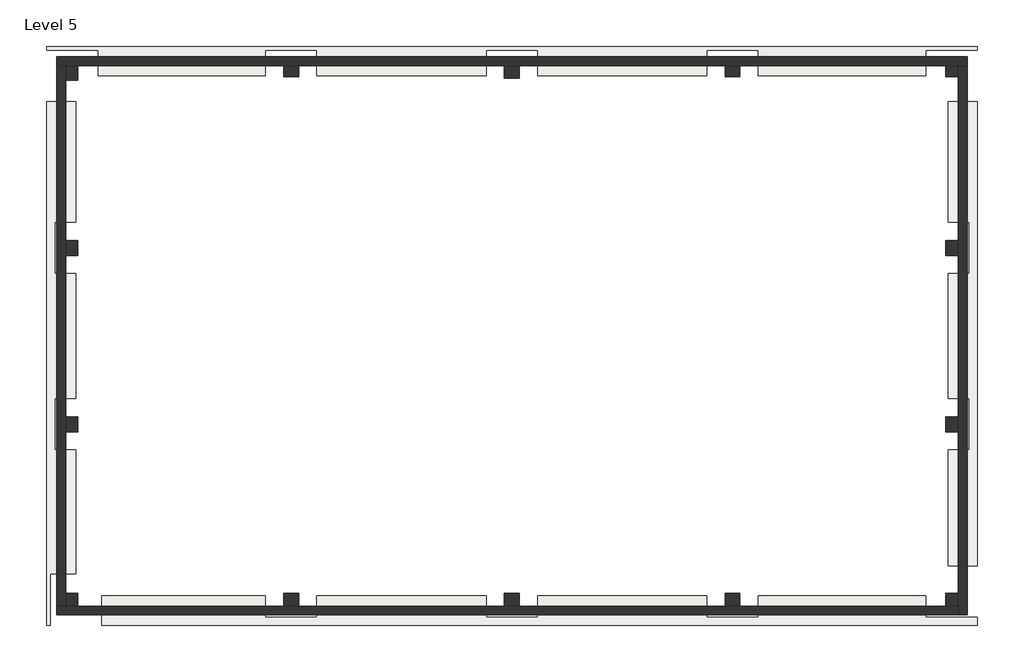
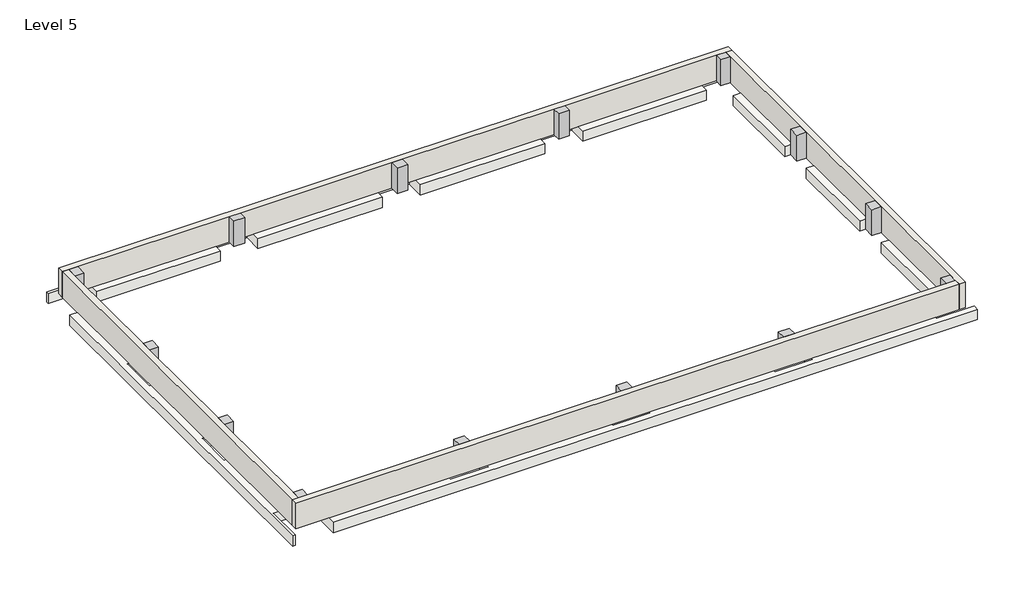
# One storey: 14 columns, 4 footings, 4 walls.
"""IFC4 building model written with IfcOpenShell, lengths in millimetres."""

from ifc_helpers import new_model, si_unit, frame, origin, place, context, project, spatial, polyline, outline, extrude, faceted_brep, element, save

model = new_model("IFC4")

# Units and contexts
model_context = context("Model", 3, world=origin())
ifc_project = project(units=[si_unit("LENGTHUNIT", "METRE", prefix="MILLI")], contexts=[model_context])

# Site, building, storey
site = spatial("IfcSite", under=ifc_project)
building = spatial("IfcBuilding", under=site)
storey = spatial("IfcBuildingStorey", under=building, Name="Level 5", Elevation=-1524.0)

# Columns
placement = place(None, origin())
element("IfcColumn", 1, ObjectType="Concrete-Square-Column : 24 x 24", at=placement, inside=storey, context=model_context, shape_type="SweptSolid", body=[
    extrude(outline(polyline([(45488.88616, 34502.3407664), (45488.88616, 33892.7407664), (44977.71116, 33892.7407664), (44977.71116, 34502.3407664), (45488.88616, 34502.3407664)])), frame((0.0, 0.0, -1524.0), z_axis=(0.0, 0.0, 1.0), x_axis=(1.0, 0.0, 0.0)), (0.0, 0.0, 1.0), 1524.0),
])
element("IfcColumn", 2, ObjectType="Concrete-Square-Column : 24 x 24", at=placement, inside=storey, context=model_context, shape_type="SweptSolid", body=[
    extrude(outline(polyline([(45488.88616, 41817.5407664), (45488.88616, 41207.9407664), (44977.71116, 41207.9407664), (44977.71116, 41817.5407664), (45488.88616, 41817.5407664)])), frame((0.0, 0.0, -1524.0), z_axis=(0.0, 0.0, 1.0), x_axis=(1.0, 0.0, 0.0)), (0.0, 0.0, 1.0), 1524.0),
])
element("IfcColumn", 3, ObjectType="Concrete-Square-Column : 24 x 24", at=placement, inside=storey, context=model_context, shape_type="SweptSolid", body=[
    extrude(outline(polyline([(45488.88616, 49081.9407664), (45488.88616, 48472.3407664), (44977.71116, 48472.3407664), (44977.71116, 49081.9407664), (45488.88616, 49081.9407664)])), frame((0.0, 0.0, -1524.0), z_axis=(0.0, 0.0, 1.0), x_axis=(1.0, 0.0, 0.0)), (0.0, 0.0, 1.0), 1524.0),
])
element("IfcColumn", 4, ObjectType="Concrete-Square-Column : 24 x 24", at=placement, inside=storey, context=model_context, shape_type="SweptSolid", body=[
    extrude(outline(polyline([(63776.88616, 48548.5407664), (63167.28616, 48548.5407664), (63167.28616, 49081.9407664), (63776.88616, 49081.9407664), (63776.88616, 48548.5407664)])), frame((0.0, 0.0, -1524.0), z_axis=(0.0, 0.0, 1.0), x_axis=(1.0, 0.0, 0.0)), (0.0, 0.0, 1.0), 1524.0),
])
element("IfcColumn", 5, ObjectType="Concrete-Square-Column : 24 x 24", at=placement, inside=storey, context=model_context, shape_type="SweptSolid", body=[
    extrude(outline(polyline([(54632.88616, 48624.7407664), (54023.28616, 48624.7407664), (54023.28616, 49081.9407664), (54632.88616, 49081.9407664), (54632.88616, 48624.7407664)])), frame((0.0, 0.0, -1524.0), z_axis=(0.0, 0.0, 1.0), x_axis=(1.0, 0.0, 0.0)), (0.0, 0.0, 1.0), 1524.0),
])
element("IfcColumn", 6, ObjectType="Concrete-Square-Column : 24 x 24", at=placement, inside=storey, context=model_context, shape_type="SweptSolid", body=[
    extrude(outline(polyline([(72920.88616, 48624.7407664), (72311.28616, 48624.7407664), (72311.28616, 49081.9407664), (72920.88616, 49081.9407664), (72920.88616, 48624.7407664)])), frame((0.0, 0.0, -1524.0), z_axis=(0.0, 0.0, 1.0), x_axis=(1.0, 0.0, 0.0)), (0.0, 0.0, 1.0), 1524.0),
])
element("IfcColumn", 7, ObjectType="Concrete-Square-Column : 24 x 24", at=placement, inside=storey, context=model_context, shape_type="SweptSolid", body=[
    extrude(outline(polyline([(81979.16116, 48624.7407664), (81455.28616, 48624.7407664), (81455.28616, 49081.9407664), (81979.16116, 49081.9407664), (81979.16116, 48624.7407664)])), frame((0.0, 0.0, -1524.0), z_axis=(0.0, 0.0, 1.0), x_axis=(1.0, 0.0, 0.0)), (0.0, 0.0, 1.0), 1524.0),
])
element("IfcColumn", 8, ObjectType="Concrete-Square-Column : 24 x 24", at=placement, inside=storey, context=model_context, shape_type="SweptSolid", body=[
    extrude(outline(polyline([(81455.28616, 41207.9407664), (81455.28616, 41817.5407664), (81979.16116, 41817.5407664), (81979.16116, 41207.9407664), (81455.28616, 41207.9407664)])), frame((0.0, 0.0, -1524.0), z_axis=(0.0, 0.0, 1.0), x_axis=(1.0, 0.0, 0.0)), (0.0, 0.0, 1.0), 1524.0),
])
element("IfcColumn", 9, ObjectType="Concrete-Square-Column : 24 x 24", at=placement, inside=storey, context=model_context, shape_type="SweptSolid", body=[
    extrude(outline(polyline([(81455.28616, 33892.7407664), (81455.28616, 34502.3407664), (81979.16116, 34502.3407664), (81979.16116, 33892.7407664), (81455.28616, 33892.7407664)])), frame((0.0, 0.0, -1524.0), z_axis=(0.0, 0.0, 1.0), x_axis=(1.0, 0.0, 0.0)), (0.0, 0.0, 1.0), 1524.0),
])
element("IfcColumn", 10, ObjectType="Concrete-Square-Column : 24 x 24", at=placement, inside=storey, context=model_context, shape_type="SweptSolid", body=[
    extrude(outline(polyline([(81455.28616, 27187.1407664), (81979.16116, 27187.1407664), (81979.16116, 26663.2657664), (81455.28616, 26663.2657664), (81455.28616, 27187.1407664)])), frame((0.0, 0.0, -1524.0), z_axis=(0.0, 0.0, 1.0), x_axis=(1.0, 0.0, 0.0)), (0.0, 0.0, 1.0), 1524.0),
])
element("IfcColumn", 11, ObjectType="Concrete-Square-Column : 24 x 24", at=placement, inside=storey, context=model_context, shape_type="SweptSolid", body=[
    extrude(outline(polyline([(72311.28616, 27187.1407664), (72920.88616, 27187.1407664), (72920.88616, 26663.2657664), (72311.28616, 26663.2657664), (72311.28616, 27187.1407664)])), frame((0.0, 0.0, -1524.0), z_axis=(0.0, 0.0, 1.0), x_axis=(1.0, 0.0, 0.0)), (0.0, 0.0, 1.0), 1524.0),
])
element("IfcColumn", 12, ObjectType="Concrete-Square-Column : 24 x 24", at=placement, inside=storey, context=model_context, shape_type="SweptSolid", body=[
    extrude(outline(polyline([(63167.28616, 27187.1407664), (63776.88616, 27187.1407664), (63776.88616, 26663.2657664), (63167.28616, 26663.2657664), (63167.28616, 27187.1407664)])), frame((0.0, 0.0, -1524.0), z_axis=(0.0, 0.0, 1.0), x_axis=(1.0, 0.0, 0.0)), (0.0, 0.0, 1.0), 1524.0),
])
element("IfcColumn", 13, ObjectType="Concrete-Square-Column : 24 x 24", at=placement, inside=storey, context=model_context, shape_type="SweptSolid", body=[
    extrude(outline(polyline([(54023.28616, 27187.1407664), (54632.88616, 27187.1407664), (54632.88616, 26663.2657664), (54023.28616, 26663.2657664), (54023.28616, 27187.1407664)])), frame((0.0, 0.0, -1524.0), z_axis=(0.0, 0.0, 1.0), x_axis=(1.0, 0.0, 0.0)), (0.0, 0.0, 1.0), 1524.0),
])
element("IfcColumn", 14, ObjectType="Concrete-Square-Column : 24 x 24", at=placement, inside=storey, context=model_context, shape_type="SweptSolid", body=[
    extrude(outline(polyline([(45488.88616, 27187.1407664), (45488.88616, 26663.2657664), (44977.71116, 26663.2657664), (44977.71116, 27187.1407664), (45488.88616, 27187.1407664)])), frame((0.0, 0.0, -1524.0), z_axis=(0.0, 0.0, 1.0), x_axis=(1.0, 0.0, 0.0)), (0.0, 0.0, 1.0), 1524.0),
])

# Footings
element("IfcFooting", 15, at=placement, inside=storey, context=model_context, shape_type="SweptSolid", body=[
    extrude(outline(polyline([(44190.31116, 49869.3407664), (82766.56116, 49869.3407664), (82766.56116, 49716.9407664), (80632.96116, 49716.9407664), (80632.96116, 48650.1407664), (73682.88616, 48650.1407664), (73682.88616, 49716.9407664), (71549.28616, 49716.9407664), (71549.28616, 48650.1407664), (64538.88616, 48650.1407664), (64538.88616, 49716.9407664), (62405.28616, 49716.9407664), (62405.28616, 48650.1407664), (55394.88616, 48650.1407664), (55394.88616, 49716.9407664), (53261.28616, 49716.9407664), (53261.28616, 48650.1407664), (46323.91116, 48650.1407664), (46323.91116, 49716.9407664), (44190.31116, 49716.9407664), (44190.31116, 49869.3407664)])), frame((0.0, 0.0, -2133.6), z_axis=(0.0, 0.0, 1.0), x_axis=(1.0, 0.0, 0.0)), (0.0, 0.0, 1.0), 609.6),
])
element("IfcFooting", 16, at=placement, inside=storey, context=model_context, shape_type="SweptSolid", body=[
    extrude(outline(polyline([(45409.51116, 42579.5407664), (44520.51116, 42579.5407664), (44520.51116, 40445.9407664), (45409.51116, 40445.9407664), (45409.51116, 35264.3407664), (44520.51116, 35264.3407664), (44520.51116, 33130.7407664), (45409.51116, 33130.7407664), (45409.51116, 28009.4657664), (44345.88616, 28009.4657664), (44345.88616, 25875.8657664), (44190.31116, 25875.8657664), (44190.31116, 47583.3407664), (45409.51116, 47583.3407664), (45409.51116, 42579.5407664)])), frame((0.0, 0.0, -2133.6), z_axis=(0.0, 0.0, 1.0), x_axis=(1.0, 0.0, 0.0)), (0.0, 0.0, 1.0), 609.6),
])
element("IfcFooting", 17, at=placement, inside=storey, context=model_context, shape_type="SweptSolid", body=[
    extrude(outline(polyline([(53261.28616, 26206.0657664), (55394.88616, 26206.0657664), (55394.88616, 27095.0657664), (62405.28616, 27095.0657664), (62405.28616, 26206.0657664), (64538.88616, 26206.0657664), (64538.88616, 27095.0657664), (71549.28616, 27095.0657664), (71549.28616, 26206.0657664), (73682.88616, 26206.0657664), (73682.88616, 27095.0657664), (80632.96116, 27095.0657664), (80632.96116, 26206.0657664), (82766.56116, 26206.0657664), (82766.56116, 25875.8657664), (46479.48616, 25875.8657664), (46479.48616, 27095.0657664), (53261.28616, 27095.0657664), (53261.28616, 26206.0657664)])), frame((0.0, 0.0, -2133.6), z_axis=(0.0, 0.0, 1.0), x_axis=(1.0, 0.0, 0.0)), (0.0, 0.0, 1.0), 609.6),
])
element("IfcFooting", 18, at=placement, inside=storey, context=model_context, shape_type="SweptSolid", body=[
    extrude(outline(polyline([(82436.36116, 42579.5407664), (81547.36116, 42579.5407664), (81547.36116, 47583.3407664), (82766.56116, 47583.3407664), (82766.56116, 28339.6657664), (81547.36116, 28339.6657664), (81547.36116, 33130.7407664), (82436.36116, 33130.7407664), (82436.36116, 35264.3407664), (81547.36116, 35264.3407664), (81547.36116, 40445.9407664), (82436.36116, 40445.9407664), (82436.36116, 42579.5407664)])), frame((0.0, 0.0, -2133.6), z_axis=(0.0, 0.0, 1.0), x_axis=(1.0, 0.0, 0.0)), (0.0, 0.0, 1.0), 609.6),
])

# Walls
element("IfcWall", 19, ObjectType="Generic - 14\" Masonry 3", at=placement, inside=storey, context=model_context, shape_type="Brep", body=[
    faceted_brep([(44622.11116, 49081.9407664, -1524.0), (44977.71116, 49081.9407664, -1524.0), (45488.88616, 49081.9407664, -1524.0), (54023.28616, 49081.9407664, -1524.0), (54632.88616, 49081.9407664, -1524.0), (63167.28616, 49081.9407664, -1524.0), (63776.88616, 49081.9407664, -1524.0), (72311.28616, 49081.9407664, -1524.0), (72920.88616, 49081.9407664, -1524.0), (81455.28616, 49081.9407664, -1524.0), (81979.16116, 49081.9407664, -1524.0), (82334.76116, 49081.9407664, -1524.0), (82334.76116, 49081.9407664, 0.0), (81979.16116, 49081.9407664, 0.0), (81455.28616, 49081.9407664, 0.0), (72920.88616, 49081.9407664, 0.0), (72311.28616, 49081.9407664, 0.0), (63776.88616, 49081.9407664, 0.0), (63167.28616, 49081.9407664, 0.0), (54632.88616, 49081.9407664, 0.0), (54023.28616, 49081.9407664, 0.0), (45488.88616, 49081.9407664, 0.0), (44977.71116, 49081.9407664, 0.0), (44622.11116, 49081.9407664, 0.0), (44622.11116, 49437.5407664, -1524.0), (44622.11116, 49437.5407664, 0.0), (82334.76116, 49437.5407664, 0.0), (82334.76116, 49437.5407664, -1524.0)], [[[0, 1, 2, 3, 4, 5, 6, 7, 8, 9, 10, 11, 12, 13, 14, 15, 16, 17, 18, 19, 20, 21, 22, 23]], [[24, 25, 26, 27]], [[11, 10, 9, 8, 7, 6, 5, 4, 3, 2, 1, 0, 24, 27]], [[23, 22, 21, 20, 19, 18, 17, 16, 15, 14, 13, 12, 26, 25]], [[12, 11, 27, 26]], [[0, 23, 25, 24]]]),
])
element("IfcWall", 20, ObjectType="Generic - 14\" Masonry 3", at=placement, inside=storey, context=model_context, shape_type="Brep", body=[
    faceted_brep([(81979.16116, 49081.9407664, -1524.0), (81979.16116, 48624.7407664, -1524.0), (81979.16116, 41817.5407664, -1524.0), (81979.16116, 41207.9407664, -1524.0), (81979.16116, 34502.3407664, -1524.0), (81979.16116, 33892.7407664, -1524.0), (81979.16116, 27187.1407664, -1524.0), (81979.16116, 26663.2657664, -1524.0), (81979.16116, 26307.6657664, -1524.0), (81979.16116, 26307.6657664, 0.0), (81979.16116, 26663.2657664, 0.0), (81979.16116, 27187.1407664, 0.0), (81979.16116, 33892.7407664, 0.0), (81979.16116, 34502.3407664, 0.0), (81979.16116, 41207.9407664, 0.0), (81979.16116, 41817.5407664, 0.0), (81979.16116, 48624.7407664, 0.0), (81979.16116, 49081.9407664, 0.0), (82334.76116, 49081.9407664, -1524.0), (82334.76116, 49081.9407664, 0.0), (82334.76116, 26307.6657664, 0.0), (82334.76116, 26307.6657664, -1524.0)], [[[0, 1, 2, 3, 4, 5, 6, 7, 8, 9, 10, 11, 12, 13, 14, 15, 16, 17]], [[18, 19, 20, 21]], [[8, 7, 6, 5, 4, 3, 2, 1, 0, 18, 21]], [[17, 16, 15, 14, 13, 12, 11, 10, 9, 20, 19]], [[0, 17, 19, 18]], [[9, 8, 21, 20]]]),
])
element("IfcWall", 21, ObjectType="Generic - 14\" Masonry 3", at=placement, inside=storey, context=model_context, shape_type="Brep", body=[
    faceted_brep([(81979.16116, 26663.2657664, -1524.0), (81455.28616, 26663.2657664, -1524.0), (72920.88616, 26663.2657664, -1524.0), (72311.28616, 26663.2657664, -1524.0), (63776.88616, 26663.2657664, -1524.0), (63167.28616, 26663.2657664, -1524.0), (54632.88616, 26663.2657664, -1524.0), (54023.28616, 26663.2657664, -1524.0), (45488.88616, 26663.2657664, -1524.0), (44977.71116, 26663.2657664, -1524.0), (44622.11116, 26663.2657664, -1524.0), (44622.11116, 26663.2657664, 0.0), (44977.71116, 26663.2657664, 0.0), (45488.88616, 26663.2657664, 0.0), (54023.28616, 26663.2657664, 0.0), (54632.88616, 26663.2657664, 0.0), (63167.28616, 26663.2657664, 0.0), (63776.88616, 26663.2657664, 0.0), (72311.28616, 26663.2657664, 0.0), (72920.88616, 26663.2657664, 0.0), (81455.28616, 26663.2657664, 0.0), (81979.16116, 26663.2657664, 0.0), (81979.16116, 26307.6657664, -1524.0), (81979.16116, 26307.6657664, 0.0), (44622.11116, 26307.6657664, 0.0), (44622.11116, 26307.6657664, -1524.0)], [[[0, 1, 2, 3, 4, 5, 6, 7, 8, 9, 10, 11, 12, 13, 14, 15, 16, 17, 18, 19, 20, 21]], [[22, 23, 24, 25]], [[10, 9, 8, 7, 6, 5, 4, 3, 2, 1, 0, 22, 25]], [[21, 20, 19, 18, 17, 16, 15, 14, 13, 12, 11, 24, 23]], [[0, 21, 23, 22]], [[11, 10, 25, 24]]]),
])
element("IfcWall", 22, ObjectType="Generic -13\" Masonry 2", at=placement, inside=storey, context=model_context, shape_type="Brep", body=[
    faceted_brep([(44977.71116, 26663.2657664, -1524.0), (44977.71116, 27187.1407664, -1524.0), (44977.71116, 33892.7407664, -1524.0), (44977.71116, 34502.3407664, -1524.0), (44977.71116, 41207.9407664, -1524.0), (44977.71116, 41817.5407664, -1524.0), (44977.71116, 48472.3407664, -1524.0), (44977.71116, 49081.9407664, -1524.0), (44977.71116, 49081.9407664, 0.0), (44977.71116, 48472.3407664, 0.0), (44977.71116, 41817.5407664, 0.0), (44977.71116, 41207.9407664, 0.0), (44977.71116, 34502.3407664, 0.0), (44977.71116, 33892.7407664, 0.0), (44977.71116, 27187.1407664, 0.0), (44977.71116, 26663.2657664, 0.0), (44622.11116, 26663.2657664, -1524.0), (44622.11116, 26663.2657664, 0.0), (44622.11116, 49081.9407664, 0.0), (44622.11116, 49081.9407664, -1524.0)], [[[0, 1, 2, 3, 4, 5, 6, 7, 8, 9, 10, 11, 12, 13, 14, 15]], [[16, 17, 18, 19]], [[7, 6, 5, 4, 3, 2, 1, 0, 16, 19]], [[15, 14, 13, 12, 11, 10, 9, 8, 18, 17]], [[8, 7, 19, 18]], [[0, 15, 17, 16]]]),
])

save(model, "model.ifc")
